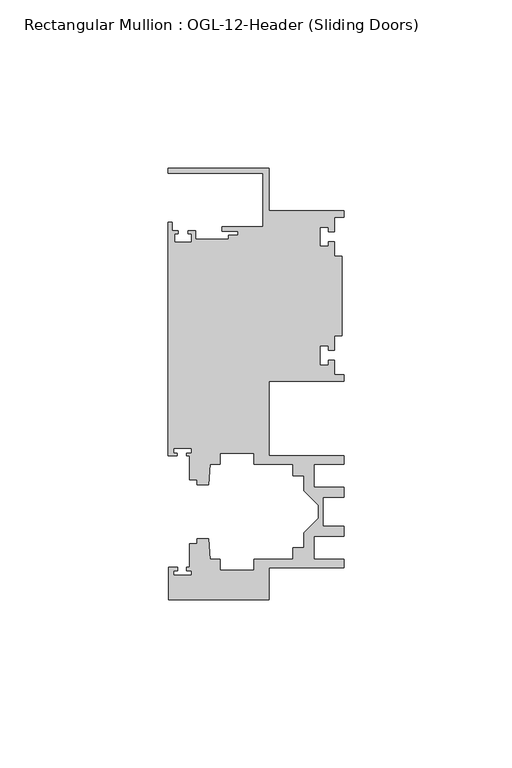
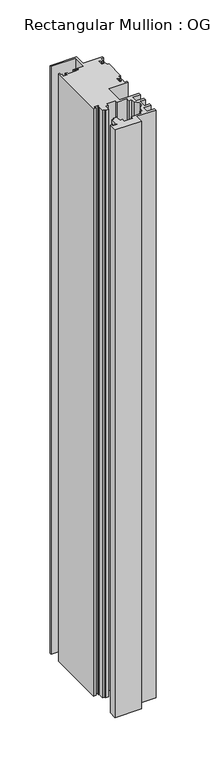
"""IFC4 building model written with IfcOpenShell, lengths in millimetres: member geometry, Rectangular Mullion : OGL-12-Header (Sliding Doors)."""

from ifc_helpers import new_model, si_unit, frame, origin, place, context, project, spatial, polyline, outline, extrude, source, transform, mapped, element, save


def rectangular_mullion_ogl_12_header_sliding_doors_a15bbf68(model_context):
    return source(origin(), model_context, "Body", "SweptSolid", [
        extrude(outline(polyline([(0.0, 25.4), (0.0, 23.488176), (-2.740223, 23.488176), (-2.740223, 19.1395859), (-4.5407068, 19.1395859), (-4.5407068, 20.5271706), (-7.0406862, 20.5271706), (-7.0406862, 14.7651725), (-4.5407047, 14.7651725), (-4.5407047, 16.1605952), (-2.740223, 16.1605952), (-2.740223, 11.8041704), (-0.508, 11.8041704), (-0.508, -11.8041704), (-2.740223, -11.8041704), (-2.740223, -16.1605952), (-4.5407047, -16.1605952), (-4.5407047, -14.7651725), (-7.0406862, -14.7651725), (-7.0406862, -20.5271706), (-4.5407068, -20.5271706), (-4.5407068, -19.1395859), (-2.740223, -19.1395859), (-2.740223, -23.488176), (0.0, -23.488176), (0.0, -25.4), (-22.2332898, -25.4), (-22.2332898, -47.513352), (-0.0082575, -47.513352), (-0.0082575, -50.013352), (-8.8582575, -50.013352), (-8.8582575, -56.8562795), (-0.0082575, -56.8562795), (-0.0082575, -59.8562795), (-6.1582575, -59.8562795), (-6.1582575, -68.5325565), (-0.0082575, -68.5325565), (-0.0082575, -71.5325565), (-8.8582575, -71.5325565), (-8.8582575, -78.375484), (-0.0082575, -78.375484), (-0.0082575, -80.875484), (-22.2032575, -80.875484), (-22.2032575, -90.3252352), (-52.2095715, -90.3252352), (-52.2095715, -80.7425364), (-49.5692346, -80.7425364), (-49.5692346, -81.7156466), (-50.6220715, -81.7156466), (-50.6220715, -83.0934363), (-45.3220715, -83.0934363), (-45.3220715, -81.7156466), (-46.8181909, -81.7156466), (-46.8181909, -80.7425364), (-45.9710366, -80.7425364), (-45.9710366, -73.7629518), (-43.7582575, -73.7629518), (-43.7582575, -72.175484), (-40.3395523, -72.175484), (-39.7961967, -78.3860669), (-36.8419772, -78.3860669), (-36.8419772, -81.550484), (-26.7462575, -81.550484), (-26.7462575, -78.375484), (-15.0768765, -78.375484), (-15.0768765, -74.975484), (-11.8582575, -74.975484), (-11.8582575, -70.4941892), (-7.4980859, -66.1340176), (-7.4980859, -62.2548184), (-11.8582575, -57.8946468), (-11.8582575, -53.413352), (-15.0768765, -53.413352), (-15.0768765, -50.013352), (-26.7462575, -50.013352), (-26.7462575, -46.838352), (-36.8419772, -46.838352), (-36.8419772, -50.0027691), (-39.7961967, -50.0027691), (-40.3395523, -56.213352), (-43.7582575, -56.213352), (-43.7582575, -54.6622994), (-45.9710366, -54.6622994), (-45.9710366, -47.583496), (-46.769305, -47.583496), (-46.769305, -46.7096046), (-45.3220715, -46.7096046), (-45.3220715, -45.3318149), (-50.6220715, -45.3318149), (-50.6220715, -46.7096046), (-49.5910554, -46.7096046), (-49.5910554, -47.583496), (-52.3921824, -47.583496), (-52.3921824, 21.9710976), (-51.1362531, 21.9710976), (-51.1362531, 19.4824275), (-49.3568347, 19.4824275), (-49.3568347, 18.4751625), (-50.359397, 18.4751625), (-50.359397, 15.9751675), (-45.359407, 15.9751675), (-45.359407, 18.4751625), (-46.3304245, 18.4751625), (-46.3304245, 19.4824275), (-44.1094055, 19.4824275), (-44.1094055, 16.8641675), (-34.2833684, 16.8641675), (-34.2833684, 18.1510261), (-31.5444935, 18.1510261), (-31.5444935, 19.3006707), (-36.2104247, 19.3006707), (-36.2104247, 20.5916734), (-24.0747898, 20.5916734), (-24.0747898, 36.512516), (-52.3921824, 36.512516), (-52.3921824, 38.0996792), (-22.2332898, 38.0996792), (-22.2332898, 25.4), (0.0, 25.4)])), frame((0.0, 0.0, -711.2), z_axis=(0.0, 0.0, 1.0), x_axis=(1.0, 0.0, 0.0)), (0.0, 0.0, 1.0), 711.2),
    ])


if __name__ == "__main__":
    model = new_model("IFC4")
    model_context = context("Model", 3, world=origin())
    ifc_project = project(units=[si_unit("LENGTHUNIT", "METRE", prefix="MILLI")], contexts=[model_context])
    site = spatial("IfcSite", under=ifc_project)
    building = spatial("IfcBuilding", under=site)
    placement = place(None, origin())
    rectangular_mullion_ogl_12_header_sliding_doors_shape = rectangular_mullion_ogl_12_header_sliding_doors_a15bbf68(model_context)
    element("IfcMember", 1, ObjectType="Rectangular Mullion : OGL-12-Header (Sliding Doors)", at=placement, inside=building, context=model_context, shape_type="MappedRepresentation", body=[
        mapped(rectangular_mullion_ogl_12_header_sliding_doors_shape, transform((0.0, 0.0, 0.0), x_axis=(1.0, 0.0, 0.0), y_axis=(0.0, 1.0, 0.0), z_axis=(0.0, 0.0, 1.0))),
    ])
    save(model, "model.ifc")
